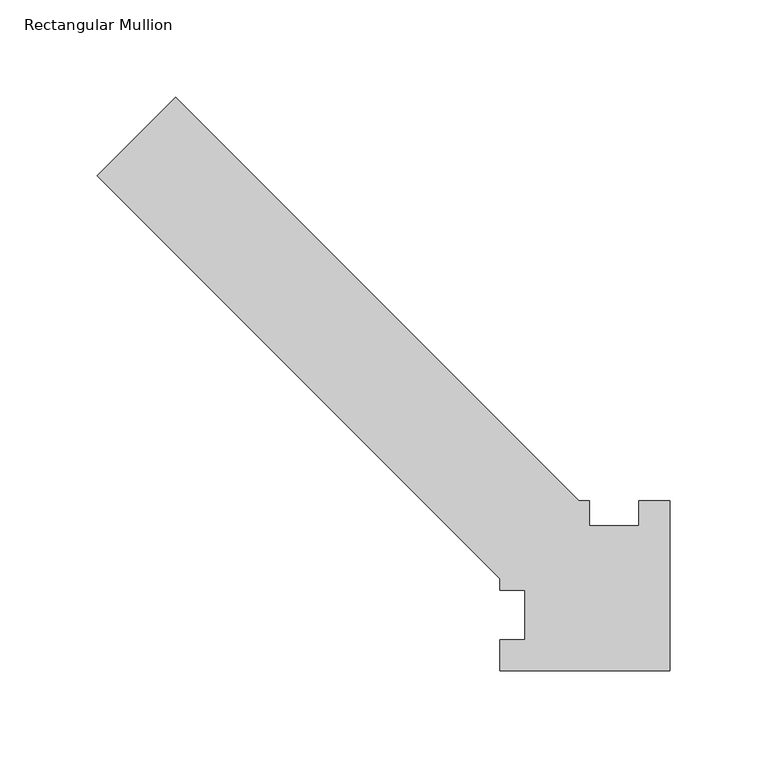
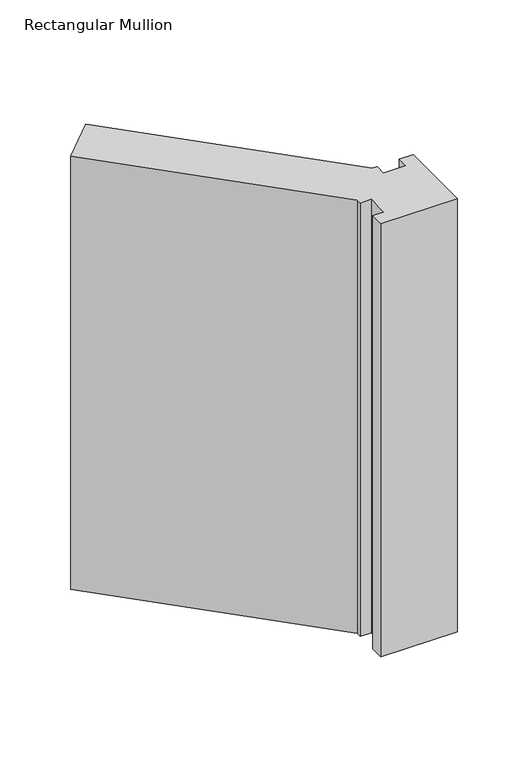
"""IFC4 building model written with IfcOpenShell, lengths in millimetres: member geometry, Rectangular Mullion."""

from ifc_helpers import new_model, si_unit, frame, origin, place, context, project, spatial, polyline, outline, extrude, source, transform, mapped, element, save


def rectangular_mullion_512619a4(model_context):
    return source(origin(), model_context, "Body", "SweptSolid", [
        extrude(outline(polyline([(-15.875, 58.7375), (0.0, 58.7375), (0.0, -28.575), (-87.3125, -28.575), (-87.3125, -12.7), (-74.6125, -12.7), (-74.6125, 12.7), (-87.3125, 12.7), (-87.3125, 18.5592462), (-294.6278689, 225.8746151), (-254.2167163, 266.2857676), (-46.6684487, 58.7375), (-41.275, 58.7375), (-41.275, 46.0375), (-15.875, 46.0375), (-15.875, 58.7375)])), frame((0.0, 0.0, -523.875), z_axis=(0.0, 0.0, 1.0), x_axis=(1.0, 0.0, 0.0)), (0.0, 0.0, 1.0), 523.875),
    ])


if __name__ == "__main__":
    model = new_model("IFC4")
    model_context = context("Model", 3, world=origin())
    ifc_project = project(units=[si_unit("LENGTHUNIT", "METRE", prefix="MILLI")], contexts=[model_context])
    site = spatial("IfcSite", under=ifc_project)
    building = spatial("IfcBuilding", under=site)
    placement = place(None, origin())
    rectangular_mullion_shape = rectangular_mullion_512619a4(model_context)
    element("IfcMember", 1, ObjectType="Rectangular Mullion", at=placement, inside=building, context=model_context, shape_type="MappedRepresentation", body=[
        mapped(rectangular_mullion_shape, transform((0.0, 0.0, 0.0), x_axis=(1.0, 0.0, 0.0), y_axis=(0.0, 1.0, 0.0), z_axis=(0.0, 0.0, 1.0))),
    ])
    save(model, "model.ifc")
